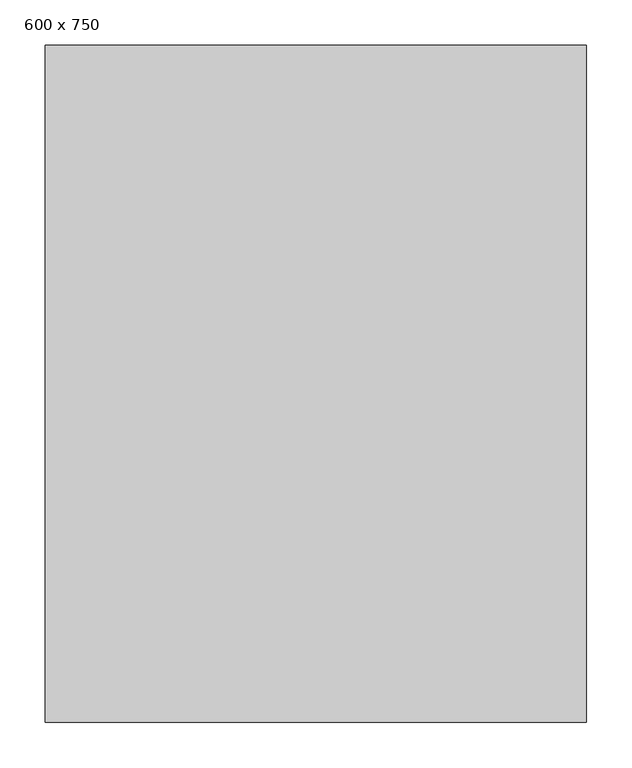
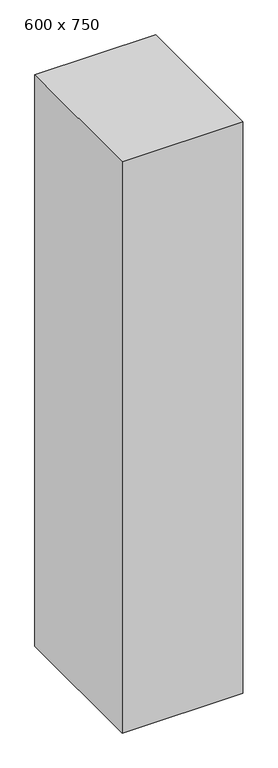
"""IFC4 building model written with IfcOpenShell, lengths in millimetres: column geometry, 600 x 750."""

import ifcopenshell
import ifcopenshell.guid

model = None  # the IFC model being written
_history = None  # IfcOwnerHistory: only IFC2X3 demands one
_inside = {}  # id of a spatial element -> (the spatial element, [elements in it])
_under = {}  # id of a project, library or spatial element -> (it, [spatial elements below it])
_declared = {}  # id of a project -> (the project, [libraries it declares])
_typed = {}  # id of a type object -> (the type object, [elements of that type])
_made_of = {}  # id of a material, layer set ... -> (it, [elements and type objects made of it])


def new_model(schema):
    """Start an empty IFC model of exactly this schema.

    Asked for "IFC4X3", IfcOpenShell would pick the latest addendum, in which some entities
    have other attributes; the version numbers below select the first issue.
    IFC2X3 requires an IfcOwnerHistory on every rooted entity: one is made here for all.
    """
    global model, _history
    if schema == "IFC4X3":
        model = ifcopenshell.file(schema_version=(4, 3, 0, 0))
    else:
        model = ifcopenshell.file(schema=schema)
    _inside.clear()
    _under.clear()
    _declared.clear()
    _typed.clear()
    _made_of.clear()
    _history = None
    if model.schema == "IFC2X3":
        org = make("IfcOrganization", Name="unknown")
        user = make(
            "IfcPersonAndOrganization",
            ThePerson=make("IfcPerson", FamilyName="unknown"),
            TheOrganization=org,
        )
        app = make(
            "IfcApplication",
            ApplicationDeveloper=org,
            Version="unknown",
            ApplicationFullName="unknown",
            ApplicationIdentifier="unknown",
        )
        _history = make(
            "IfcOwnerHistory",
            OwningUser=user,
            OwningApplication=app,
            ChangeAction="ADDED",
            CreationDate=0,
        )
    return model


def make(cls, **values):
    """One entity of the class cls with the attributes given. An attribute that is None is left unset."""
    return model.create_entity(
        cls, **{name: value for name, value in values.items() if value is not None}
    )


def rooted(cls, **values):
    """An entity with a GlobalId (a new one), such as an element, a storey or a relation."""
    return make(cls, GlobalId=ifcopenshell.guid.new(), OwnerHistory=_history, **values)


def si_unit(unit_type, name, prefix=None):
    """IfcSIUnit, for example si_unit("LENGTHUNIT", "METRE", prefix="MILLI")."""
    return make("IfcSIUnit", UnitType=unit_type, Prefix=prefix, Name=name)


def assignment(units):
    """IfcUnitAssignment: the units of a project."""
    return None if units is None else make("IfcUnitAssignment", Units=units)


def point(xyz):
    """IfcCartesianPoint."""
    return None if xyz is None else make("IfcCartesianPoint", Coordinates=xyz)


def direction(xyz):
    """IfcDirection."""
    return None if xyz is None else make("IfcDirection", DirectionRatios=xyz)


def frame(location, z_axis=None, x_axis=None):
    """IfcAxis2Placement3D, a coordinate frame: its origin and axes. An axis left out is left unset."""
    return make(
        "IfcAxis2Placement3D",
        Location=point(location),
        Axis=direction(z_axis),
        RefDirection=direction(x_axis),
    )


def origin():
    """The frame at (0, 0, 0) with its axes left unset."""
    return frame((0.0, 0.0, 0.0))


def origin_with_axes():
    """The frame at (0, 0, 0) with the z axis (0, 0, 1) and the x axis (1, 0, 0) written out."""
    return frame((0.0, 0.0, 0.0), z_axis=(0.0, 0.0, 1.0), x_axis=(1.0, 0.0, 0.0))


def place(relative_to, where):
    """IfcLocalPlacement: puts the frame where relative to a parent placement (None: the world)."""
    return make(
        "IfcLocalPlacement", PlacementRelTo=relative_to, RelativePlacement=where
    )


def context(
    kind, dimensions, precision=None, world=None, true_north=None, identifier=None
):
    """IfcGeometricRepresentationContext, for example the 3D "Model" context."""
    return make(
        "IfcGeometricRepresentationContext",
        ContextIdentifier=identifier,
        ContextType=kind,
        CoordinateSpaceDimension=dimensions,
        Precision=precision,
        WorldCoordinateSystem=world,
        TrueNorth=true_north,
    )


def project(units=None, contexts=None):
    """IfcProject with its units and contexts."""
    return rooted(
        "IfcProject",
        Name="project",
        RepresentationContexts=contexts,
        UnitsInContext=assignment(units),
    )


def spatial(cls, under=None, at=None, **own):
    """A site, building, storey or space (cls), placed at a placement, below another one or the project."""
    s = rooted(cls, ObjectPlacement=at, **own)
    if under is not None:
        _under.setdefault(under.id(), (under, []))[1].append(s)
    return s


def polyline(points):
    """IfcPolyline through the points."""
    return make("IfcPolyline", Points=[point(p) for p in points])


def outline(outer, holes=None, kind="AREA"):
    """IfcArbitraryClosedProfileDef: a profile drawn as a closed curve; with holes, ...WithVoids."""
    if holes is None:
        return make("IfcArbitraryClosedProfileDef", ProfileType=kind, OuterCurve=outer)
    return make(
        "IfcArbitraryProfileDefWithVoids",
        ProfileType=kind,
        OuterCurve=outer,
        InnerCurves=holes,
    )


def extrude(swept, where, along, depth):
    """IfcExtrudedAreaSolid: the profile swept, set in the frame where, extruded along a direction by depth."""
    return make(
        "IfcExtrudedAreaSolid",
        SweptArea=swept,
        Position=where,
        ExtrudedDirection=direction(along),
        Depth=depth,
    )


def shape(context_of_items, identifier, shape_type, items):
    """IfcShapeRepresentation: the items that make up one representation, for example the "Body"."""
    return make(
        "IfcShapeRepresentation",
        ContextOfItems=context_of_items,
        RepresentationIdentifier=identifier,
        RepresentationType=shape_type,
        Items=items,
    )


def source(mapping_origin, context_of_items, identifier, shape_type, items):
    """IfcRepresentationMap: a shape defined once, which mapped items show again and again."""
    return make(
        "IfcRepresentationMap",
        MappingOrigin=mapping_origin,
        MappedRepresentation=shape(context_of_items, identifier, shape_type, items),
    )


def transform(
    local_origin,
    x_axis=None,
    y_axis=None,
    z_axis=None,
    scale=None,
    scale2=None,
    scale3=None,
    uniform=True,
):
    """IfcCartesianTransformationOperator3D, or its non-uniform kind. x_axis, y_axis, z_axis: its Axis1, 2, 3."""
    if uniform:
        return make(
            "IfcCartesianTransformationOperator3D",
            Axis1=direction(x_axis),
            Axis2=direction(y_axis),
            LocalOrigin=point(local_origin),
            Scale=scale,
            Axis3=direction(z_axis),
        )
    return make(
        "IfcCartesianTransformationOperator3DnonUniform",
        Axis1=direction(x_axis),
        Axis2=direction(y_axis),
        LocalOrigin=point(local_origin),
        Scale=scale,
        Axis3=direction(z_axis),
        Scale2=scale2,
        Scale3=scale3,
    )


def mapped(mapping_source, mapping_target):
    """IfcMappedItem: shows the shape of a source again, moved by a transform."""
    return make(
        "IfcMappedItem", MappingSource=mapping_source, MappingTarget=mapping_target
    )


def made_of(thing, what):
    """Note that an element or type object is made of a material, layer set ...; save() writes the relation."""
    if what is not None:
        _made_of.setdefault(what.id(), (what, []))[1].append(thing)
    return thing


def element(
    cls,
    number,
    at=None,
    inside=None,
    cuts=None,
    type_object=None,
    material=None,
    context=None,
    identifier="Body",
    shape_type=None,
    held_by="IfcProductDefinitionShape",
    body=None,
    shapes=None,
    **own,
):
    """One element of the class cls, such as IfcWall. Its Tag is "e" and its number.

    at: its placement. inside: the storey or other place that contains it. cuts: it is an
    opening in that element (IfcRelVoidsElement). A single representation is given by context,
    identifier, shape_type and body (its items); several are given by shapes. held_by: the class
    of the entity that holds the representations. save() writes the other relations.
    """
    e = rooted(cls, Tag="e%d" % number, ObjectPlacement=at, **own)
    if body is not None:
        shapes = [shape(context, identifier, shape_type, body)]
    if shapes is not None:
        e.Representation = make(held_by, Representations=shapes)
    if inside is not None:
        _inside.setdefault(inside.id(), (inside, []))[1].append(e)
    if cuts is not None:
        rooted(
            "IfcRelVoidsElement", RelatingBuildingElement=cuts, RelatedOpeningElement=e
        )
    if type_object is not None:
        _typed.setdefault(type_object.id(), (type_object, []))[1].append(e)
    return made_of(e, material)


def aggregate(whole, parts):
    """IfcRelAggregates: a whole, such as a stair, and the parts it consists of."""
    return rooted("IfcRelAggregates", RelatingObject=whole, RelatedObjects=parts)


def save(model, path):
    """Write the relations noted so far, then the file.

    IfcRelAggregates (storeys below a building ...), IfcRelContainedInSpatialStructure (elements
    in a storey), IfcRelDefinesByType, IfcRelAssociatesMaterial and IfcRelDeclares: one each for
    every whole, place, type object, material and project.
    """
    for whole, parts in _under.values():
        aggregate(whole, parts)
    for where, things in _inside.values():
        rooted(
            "IfcRelContainedInSpatialStructure",
            RelatedElements=things,
            RelatingStructure=where,
        )
    for kind, things in _typed.values():
        rooted("IfcRelDefinesByType", RelatedObjects=things, RelatingType=kind)
    for what, things in _made_of.values():
        rooted("IfcRelAssociatesMaterial", RelatedObjects=things, RelatingMaterial=what)
    for by, libraries in _declared.values():
        rooted("IfcRelDeclares", RelatingContext=by, RelatedDefinitions=libraries)
    model.write(path)


def column_600_x_750_3019e928(model_context):
    return source(origin(), model_context, "Body", "SweptSolid", [
        extrude(outline(polyline([(300.0, 375.0), (300.0, -375.0), (-300.0, -375.0), (-300.0, 375.0), (300.0, 375.0)])), origin_with_axes(), (0.0, 0.0, 1.0), 3000.0),
    ])


if __name__ == "__main__":
    model = new_model("IFC4")
    model_context = context("Model", 3, world=origin())
    ifc_project = project(units=[si_unit("LENGTHUNIT", "METRE", prefix="MILLI")], contexts=[model_context])
    site = spatial("IfcSite", under=ifc_project)
    building = spatial("IfcBuilding", under=site)
    placement = place(None, origin())
    column_600_x_750_shape = column_600_x_750_3019e928(model_context)
    element("IfcColumn", 1, ObjectType="600 x 750", at=placement, inside=building, context=model_context, shape_type="MappedRepresentation", body=[
        mapped(column_600_x_750_shape, transform((0.0, 0.0, 0.0), x_axis=(1.0, 0.0, 0.0), y_axis=(0.0, 1.0, 0.0), z_axis=(0.0, 0.0, 1.0))),
    ])
    save(model, "model.ifc")
